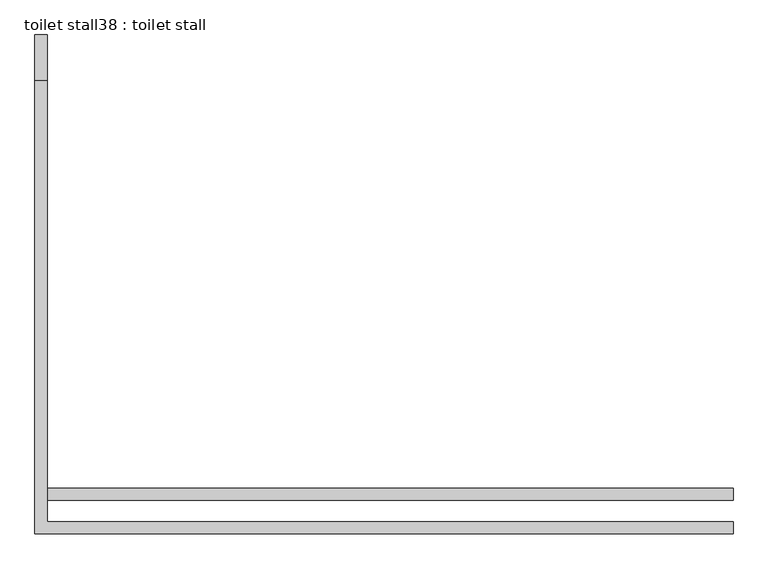
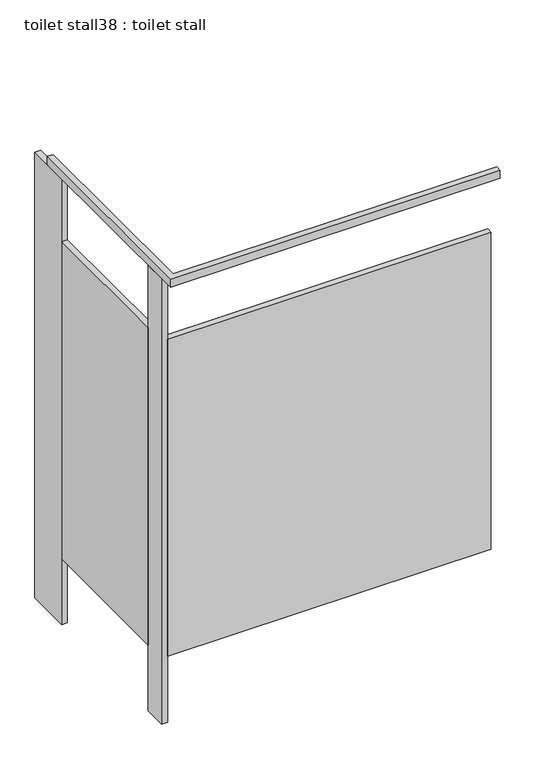
"""IFC4 building model written with IfcOpenShell, lengths in millimetres: proxy geometry, toilet stall38 : toilet stall."""

from ifc_helpers import new_model, si_unit, frame, origin, origin_with_axes, place, context, project, spatial, polyline, outline, extrude, source, transform, mapped, element, save


def toilet_stall38_toilet_stall_41904c93(model_context):
    return source(origin(), model_context, "Body", "SweptSolid", [
        extrude(outline(polyline([(607820.2004676, -385073.0842445), (609242.6004676, -385073.0842445), (609242.6004676, -385098.4842445), (607794.8004676, -385098.4842445), (607794.8004676, -384158.6842445), (607820.2004676, -384158.6842445), (607820.2004676, -385073.0842445)])), frame((0.0, 0.0, 2070.1), z_axis=(0.0, 0.0, 1.0), x_axis=(1.0, 0.0, 0.0)), (0.0, 0.0, 1.0), 38.1),
        extrude(outline(polyline([(607820.2004676, -384267.025949), (607794.8004676, -384267.025949), (607794.8004676, -384063.825949), (607820.2004676, -384063.825949), (607820.2004676, -384267.025949)])), origin_with_axes(), (0.0, 0.0, 1.0), 2070.1),
        extrude(outline(polyline([(607820.2004676, -385029.025949), (607794.8004676, -385029.025949), (607794.8004676, -384927.425949), (607820.2004676, -384927.425949), (607820.2004676, -385029.025949)])), origin_with_axes(), (0.0, 0.0, 1.0), 2070.1),
        extrude(outline(polyline([(607820.2004676, -385029.025949), (607820.2004676, -385003.625949), (609242.6004676, -385003.625949), (609242.6004676, -385029.025949), (607820.2004676, -385029.025949)])), frame((0.0, 0.0, 304.8), z_axis=(0.0, 0.0, 1.0), x_axis=(1.0, 0.0, 0.0)), (0.0, 0.0, 1.0), 1473.2),
        extrude(outline(polyline([(607820.2004676, -384927.425949), (607794.8004676, -384927.425949), (607794.8004676, -384267.025949), (607820.2004676, -384267.025949), (607820.2004676, -384927.425949)])), frame((0.0, 0.0, 304.8), z_axis=(0.0, 0.0, 1.0), x_axis=(1.0, 0.0, 0.0)), (0.0, 0.0, 1.0), 1473.2),
    ])


if __name__ == "__main__":
    model = new_model("IFC4")
    model_context = context("Model", 3, world=origin())
    ifc_project = project(units=[si_unit("LENGTHUNIT", "METRE", prefix="MILLI")], contexts=[model_context])
    site = spatial("IfcSite", under=ifc_project)
    building = spatial("IfcBuilding", under=site)
    placement = place(None, origin())
    toilet_stall38_toilet_stall_shape = toilet_stall38_toilet_stall_41904c93(model_context)
    element("IfcBuildingElementProxy", 1, Name="toilet stall38 : toilet stall", ObjectType="toilet stall38 : toilet stall", at=placement, inside=building, context=model_context, shape_type="MappedRepresentation", body=[
        mapped(toilet_stall38_toilet_stall_shape, transform((0.0, 0.0, 0.0), x_axis=(1.0, 0.0, 0.0), y_axis=(0.0, 1.0, 0.0), z_axis=(0.0, 0.0, 1.0))),
    ])
    save(model, "model.ifc")
